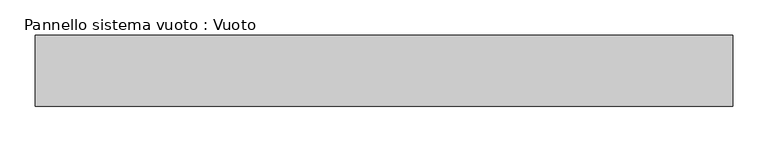
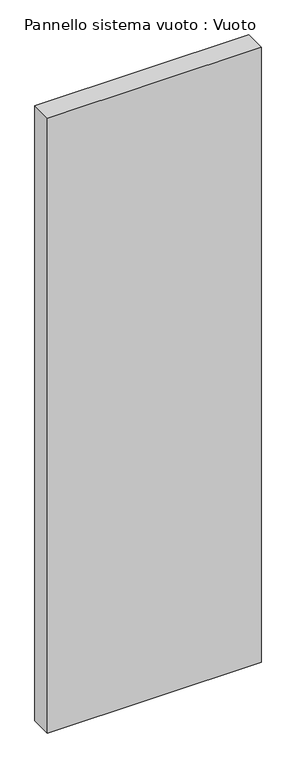
"""IFC4 building model written with IfcOpenShell, lengths in millimetres: plate geometry, Pannello sistema vuoto : Vuoto."""

from ifc_helpers import new_model, si_unit, origin, origin_with_axes, place, context, project, spatial, polyline, outline, extrude, source, transform, mapped, element, save


def pannello_sistema_vuoto_vuoto_75dea2dc(model_context):
    return source(origin(), model_context, "Body", "SweptSolid", [
        extrude(outline(polyline([(492.9155093, -50.0), (-492.9155093, -50.0), (-492.9155093, 50.0), (492.9155093, 50.0), (492.9155093, -50.0)])), origin_with_axes(), (0.0, 0.0, 1.0), 3000.0),
    ])


if __name__ == "__main__":
    model = new_model("IFC4")
    model_context = context("Model", 3, world=origin())
    ifc_project = project(units=[si_unit("LENGTHUNIT", "METRE", prefix="MILLI")], contexts=[model_context])
    site = spatial("IfcSite", under=ifc_project)
    building = spatial("IfcBuilding", under=site)
    placement = place(None, origin())
    pannello_sistema_vuoto_vuoto_shape = pannello_sistema_vuoto_vuoto_75dea2dc(model_context)
    element("IfcPlate", 1, ObjectType="Pannello sistema vuoto : Vuoto", at=placement, inside=building, context=model_context, shape_type="MappedRepresentation", body=[
        mapped(pannello_sistema_vuoto_vuoto_shape, transform((0.0, 0.0, 0.0), x_axis=(1.0, 0.0, 0.0), y_axis=(0.0, 1.0, 0.0), z_axis=(0.0, 0.0, 1.0))),
    ])
    save(model, "model.ifc")
